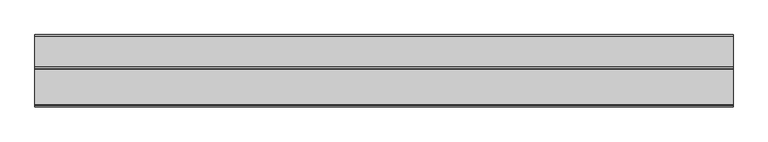
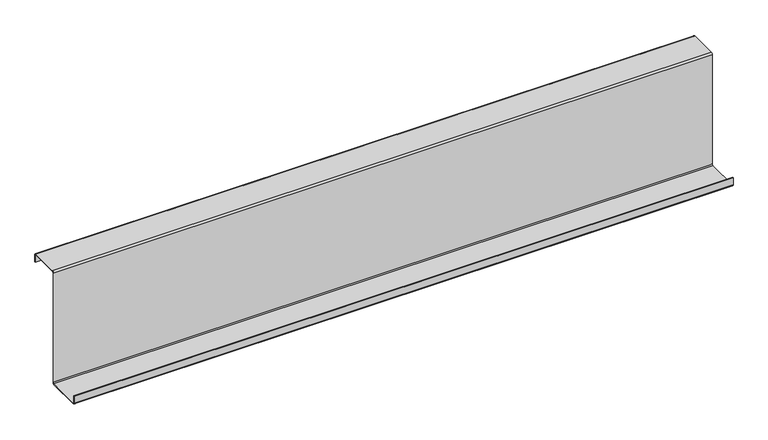
"""IFC4 building model written with IfcOpenShell, lengths in millimetres: member geometry."""

from ifc_helpers import new_model, si_unit, point, frame, frame_2d, origin, place, context, project, spatial, polyline, circle_curve, trimmed, segment, composite_curve, outline, extrude, source, transform, mapped, element, save


def member_0165a9c8(model_context):
    return source(origin(), model_context, "Body", "SweptSolid", [
        extrude(outline(composite_curve([segment(trimmed(circle_curve(frame_2d((-3.5, -123.5)), 3.5), [point((0.0, -123.5))], [point((-3.5, -127.0))], False, "CARTESIAN"), True, "CONTINUOUS"), segment(polyline([(-3.5, -127.0), (-75.0, -127.0)]), True, "CONTINUOUS"), segment(trimmed(circle_curve(frame_2d((-75.0, -123.5)), 3.5), [point((-75.0, -127.0))], [point((-78.5, -123.5))], False, "CARTESIAN"), True, "CONTINUOUS"), segment(polyline([(-78.5, -123.5), (-78.5, -107.5), (-77.0, -107.5), (-77.0, -123.5)]), True, "CONTINUOUS"), segment(trimmed(circle_curve(frame_2d((-75.0, -123.5)), 2.0), [point((-77.0, -123.5))], [point((-75.0, -125.5))], True, "CARTESIAN"), True, "CONTINUOUS"), segment(polyline([(-75.0, -125.5), (-3.5, -125.5)]), True, "CONTINUOUS"), segment(trimmed(circle_curve(frame_2d((-3.5, -123.5)), 2.0), [point((-3.5, -125.5))], [point((-1.5, -123.5))], True, "CARTESIAN"), True, "CONTINUOUS"), segment(polyline([(-1.5, -123.5), (-1.5, 123.5)]), True, "CONTINUOUS"), segment(trimmed(circle_curve(frame_2d((2.0, 123.5)), 3.5), [point((-1.5, 123.5))], [point((2.0, 127.0))], False, "CARTESIAN"), True, "CONTINUOUS"), segment(polyline([(2.0, 127.0), (63.5, 127.0)]), True, "CONTINUOUS"), segment(trimmed(circle_curve(frame_2d((63.5, 123.5)), 3.5), [point((63.5, 127.0))], [point((67.0, 123.5))], False, "CARTESIAN"), True, "CONTINUOUS"), segment(polyline([(67.0, 123.5), (67.0, 107.0), (65.5, 107.0), (65.5, 123.5)]), True, "CONTINUOUS"), segment(trimmed(circle_curve(frame_2d((63.5, 123.5)), 2.0), [point((65.5, 123.5))], [point((63.5, 125.5))], True, "CARTESIAN"), True, "CONTINUOUS"), segment(polyline([(63.5, 125.5), (2.0, 125.5)]), True, "CONTINUOUS"), segment(trimmed(circle_curve(frame_2d((2.0, 123.5)), 2.0), [point((2.0, 125.5))], [point((0.0, 123.5))], True, "CARTESIAN"), True, "CONTINUOUS"), segment(polyline([(0.0, 123.5), (0.0, -123.5)]), True, "CONTINUOUS")], self_intersect=False)), frame((-703.5, 0.0, 0.0), z_axis=(1.0, 0.0, 0.0), x_axis=(0.0, 1.0, 0.0)), (0.0, 0.0, 1.0), 1407.0),
    ])


if __name__ == "__main__":
    model = new_model("IFC4")
    model_context = context("Model", 3, world=origin())
    ifc_project = project(units=[si_unit("LENGTHUNIT", "METRE", prefix="MILLI")], contexts=[model_context])
    site = spatial("IfcSite", under=ifc_project)
    building = spatial("IfcBuilding", under=site)
    placement = place(None, origin())
    member_shape = member_0165a9c8(model_context)
    element("IfcMember", 1, at=placement, inside=building, context=model_context, shape_type="MappedRepresentation", body=[
        mapped(member_shape, transform((0.0, 0.0, 0.0), x_axis=(1.0, 0.0, 0.0), y_axis=(0.0, 1.0, 0.0), z_axis=(0.0, 0.0, 1.0))),
    ])
    save(model, "model.ifc")
